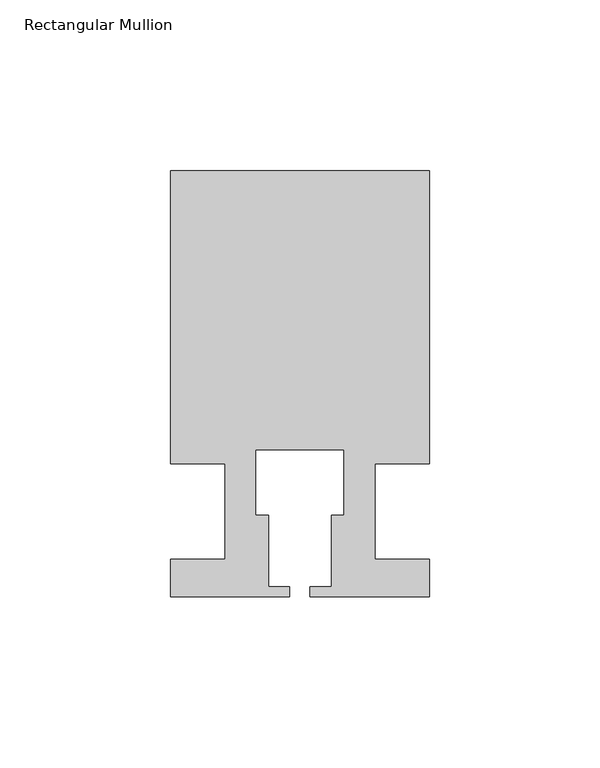
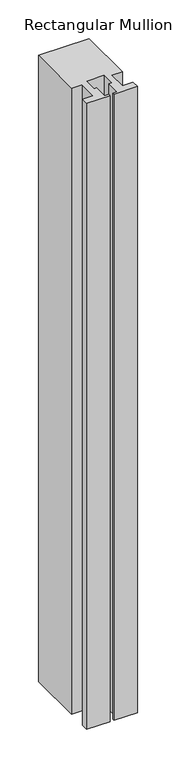
"""IFC4 building model written with IfcOpenShell, lengths in millimetres: member geometry, Rectangular Mullion."""

from ifc_helpers import new_model, si_unit, frame, origin, place, context, project, spatial, polyline, outline, extrude, source, transform, mapped, element, save


def rectangular_mullion_01f27f50(model_context):
    return source(origin(), model_context, "Body", "SweptSolid", [
        extrude(outline(polyline([(37.9999914, 99.9960123), (37.9999914, 13.9960123), (21.9999651, 13.9960123), (21.9999651, -14.0039877), (37.9999896, -14.0039877), (37.9999896, -25.0039877), (2.9999651, -25.0039877), (2.9999651, -22.0039877), (9.1999651, -22.0039877), (9.1999651, -1.0039877), (12.9999651, -1.0039877), (12.9999651, 18.1960075), (-12.9999633, 18.1960075), (-12.9999633, -1.0039877), (-9.1999633, -1.0039877), (-9.1999633, -22.0039877), (-2.9999896, -22.0039877), (-2.9999896, -25.0039877), (-37.9999896, -25.0039877), (-37.9999896, -14.0039877), (-21.9999633, -14.0039877), (-21.9999633, 13.9960123), (-37.9999896, 13.9960123), (-37.9999896, 99.9960123), (37.9999914, 99.9960123)])), frame((0.0, 0.0, -990.6623342), z_axis=(0.0, 0.0, 1.0), x_axis=(1.0, 0.0, 0.0)), (0.0, 0.0, 1.0), 990.6623342),
    ])


if __name__ == "__main__":
    model = new_model("IFC4")
    model_context = context("Model", 3, world=origin())
    ifc_project = project(units=[si_unit("LENGTHUNIT", "METRE", prefix="MILLI")], contexts=[model_context])
    site = spatial("IfcSite", under=ifc_project)
    building = spatial("IfcBuilding", under=site)
    placement = place(None, origin())
    rectangular_mullion_shape = rectangular_mullion_01f27f50(model_context)
    element("IfcMember", 1, ObjectType="Rectangular Mullion", at=placement, inside=building, context=model_context, shape_type="MappedRepresentation", body=[
        mapped(rectangular_mullion_shape, transform((0.0, 0.0, 0.0), x_axis=(1.0, 0.0, 0.0), y_axis=(0.0, 1.0, 0.0), z_axis=(0.0, 0.0, 1.0))),
    ])
    save(model, "model.ifc")
